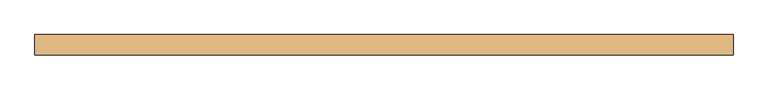
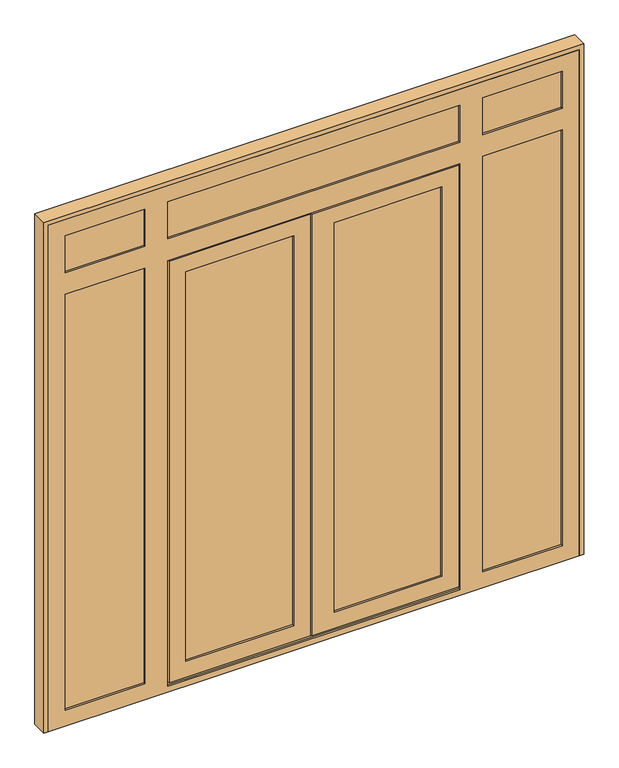
"""IFC4 building model written with IfcOpenShell, lengths in millimetres: door geometry."""

from ifc_helpers import new_model, si_unit, frame, origin, place, context, project, spatial, polyline, outline, extrude, faceted_brep, source, transform, mapped, element, save


def door_eafd8545(model_context):
    return source(origin(), model_context, "Body", "SolidModel", [
        extrude(outline(polyline([(53.0, 39.0), (-462.0, 39.0), (-462.0, 65.0), (53.0, 65.0), (53.0, 39.0)])), frame((0.0, 0.0, 99.0), z_axis=(0.0, 0.0, 1.0), x_axis=(1.0, 0.0, 0.0)), (0.0, 0.0, 1.0), 1868.0),
        extrude(outline(polyline([(712.0, 39.0), (197.0, 39.0), (197.0, 65.0), (712.0, 65.0), (712.0, 39.0)])), frame((0.0, 0.0, 99.0), z_axis=(0.0, 0.0, 1.0), x_axis=(1.0, 0.0, 0.0)), (0.0, 0.0, 1.0), 1868.0),
        extrude(outline(polyline([(792.0, 39.0), (-542.0, 39.0), (-542.0, 65.0), (792.0, 65.0), (792.0, 39.0)])), frame((0.0, 0.0, 2113.0), z_axis=(0.0, 0.0, 1.0), x_axis=(1.0, 0.0, 0.0)), (0.0, 0.0, 1.0), 210.0),
        extrude(outline(polyline([(1248.0, 39.0), (858.0, 39.0), (858.0, 65.0), (1248.0, 65.0), (1248.0, 39.0)])), frame((0.0, 0.0, 2113.0), z_axis=(0.0, 0.0, 1.0), x_axis=(1.0, 0.0, 0.0)), (0.0, 0.0, 1.0), 210.0),
        extrude(outline(polyline([(-608.0, 39.0), (-998.0, 39.0), (-998.0, 65.0), (-608.0, 65.0), (-608.0, 39.0)])), frame((0.0, 0.0, 2113.0), z_axis=(0.0, 0.0, 1.0), x_axis=(1.0, 0.0, 0.0)), (0.0, 0.0, 1.0), 210.0),
        extrude(outline(polyline([(1248.0, 39.0), (858.0, 39.0), (858.0, 65.0), (1248.0, 65.0), (1248.0, 39.0)])), frame((0.0, 0.0, 57.0), z_axis=(0.0, 0.0, 1.0), x_axis=(1.0, 0.0, 0.0)), (0.0, 0.0, 1.0), 1990.0),
        extrude(outline(polyline([(-608.0, 39.0), (-998.0, 39.0), (-998.0, 65.0), (-608.0, 65.0), (-608.0, 39.0)])), frame((0.0, 0.0, 57.0), z_axis=(0.0, 0.0, 1.0), x_axis=(1.0, 0.0, 0.0)), (0.0, 0.0, 1.0), 1990.0),
        faceted_brep([(-544.0, 91.0, 17.0), (-544.0, 100.0, 17.0), (135.0, 100.0, 17.0), (135.0, 91.0, 17.0), (-524.0, 91.0, 17.0), (-524.0, 39.0, 17.0), (-534.0, 39.0, 17.0), (-534.0, 91.0, 17.0), (794.0, 91.0, 17.0), (784.0, 91.0, 17.0), (784.0, 39.0, 17.0), (774.0, 39.0, 17.0), (774.0, 91.0, 17.0), (140.0, 91.0, 17.0), (140.0, 100.0, 17.0), (794.0, 100.0, 17.0), (-544.0, 91.0, 2049.0), (-544.0, 100.0, 2049.0), (135.0, 100.0, 2049.0), (-444.0, 100.0, 1949.0), (-444.0, 100.0, 117.0), (35.0, 100.0, 117.0), (35.0, 100.0, 1949.0), (794.0, 100.0, 2049.0), (140.0, 100.0, 2049.0), (694.0, 100.0, 117.0), (694.0, 100.0, 1949.0), (215.0, 100.0, 1949.0), (215.0, 100.0, 117.0), (-444.0, 65.0, 1949.0), (-444.0, 65.0, 117.0), (-462.0, 65.0, 1967.0), (-462.0, 65.0, 99.0), (53.0, 65.0, 99.0), (53.0, 65.0, 1967.0), (35.0, 65.0, 1949.0), (35.0, 65.0, 117.0), (712.0, 65.0, 99.0), (712.0, 65.0, 1967.0), (197.0, 65.0, 1967.0), (197.0, 65.0, 99.0), (694.0, 65.0, 1949.0), (694.0, 65.0, 117.0), (215.0, 65.0, 117.0), (215.0, 65.0, 1949.0), (-462.0, 39.0, 1967.0), (-462.0, 39.0, 99.0), (53.0, 39.0, 1967.0), (53.0, 39.0, 99.0), (-444.0, 39.0, 1949.0), (-444.0, 39.0, 117.0), (35.0, 39.0, 117.0), (35.0, 39.0, 1949.0), (712.0, 39.0, 1967.0), (712.0, 39.0, 99.0), (197.0, 39.0, 99.0), (197.0, 39.0, 1967.0), (694.0, 39.0, 117.0), (694.0, 39.0, 1949.0), (215.0, 39.0, 1949.0), (215.0, 39.0, 117.0), (-444.0, 30.0, 1949.0), (-444.0, 30.0, 117.0), (-519.0, 30.0, 2024.0), (-519.0, 30.0, 42.0), (110.0, 30.0, 42.0), (110.0, 30.0, 2024.0), (35.0, 30.0, 1949.0), (35.0, 30.0, 117.0), (769.0, 30.0, 42.0), (769.0, 30.0, 2024.0), (115.0, 30.0, 2024.0), (115.0, 30.0, 42.0), (694.0, 30.0, 1949.0), (694.0, 30.0, 117.0), (215.0, 30.0, 117.0), (215.0, 30.0, 1949.0), (-519.0, 39.0, 2024.0), (-519.0, 39.0, 42.0), (784.0, 39.0, 2039.0), (-534.0, 39.0, 2039.0), (-524.0, 39.0, 27.0), (774.0, 39.0, 27.0), (769.0, 39.0, 2024.0), (769.0, 39.0, 42.0), (115.0, 39.0, 42.0), (115.0, 39.0, 2024.0), (110.0, 39.0, 42.0), (110.0, 39.0, 2024.0), (-534.0, 91.0, 2039.0), (135.0, 91.0, 2039.0), (135.0, 91.0, 2049.0), (784.0, 91.0, 2039.0), (794.0, 91.0, 2049.0), (140.0, 91.0, 2049.0), (140.0, 91.0, 2039.0), (774.0, 91.0, 27.0), (-524.0, 91.0, 27.0), (135.0, 91.0, 27.0), (140.0, 91.0, 27.0)], [[[0, 1, 2, 3, 4, 5, 6, 7]], [[8, 9, 10, 11, 12, 13, 14, 15]], [[1, 0, 16, 17]], [[1, 17, 18, 2], [19, 20, 21, 22]], [[23, 15, 14, 24], [25, 26, 27, 28]], [[19, 29, 30, 20]], [[31, 32, 33, 34], [30, 29, 35, 36]], [[37, 38, 39, 40], [41, 42, 43, 44]], [[31, 45, 46, 32]], [[46, 45, 47, 48], [49, 50, 51, 52]], [[53, 54, 55, 56], [57, 58, 59, 60]], [[49, 61, 62, 50]], [[63, 64, 65, 66], [62, 61, 67, 68]], [[69, 70, 71, 72], [73, 74, 75, 76]], [[63, 77, 78, 64]], [[10, 79, 80, 6, 5, 81, 82, 11], [83, 84, 85, 86], [87, 78, 77, 88]], [[7, 6, 80, 89]], [[0, 7, 89, 90, 91, 16]], [[92, 9, 8, 93, 94, 95]], [[17, 16, 91, 18]], [[93, 23, 24, 94]], [[29, 19, 22, 35]], [[26, 41, 44, 27]], [[45, 31, 34, 47]], [[38, 53, 56, 39]], [[61, 49, 52, 67]], [[58, 73, 76, 59]], [[77, 63, 66, 88]], [[70, 83, 86, 71]], [[89, 80, 79, 92, 95, 90]], [[15, 23, 93, 8]], [[41, 26, 25, 42]], [[53, 38, 37, 54]], [[73, 58, 57, 74]], [[83, 70, 69, 84]], [[79, 10, 9, 92]], [[20, 30, 36, 21]], [[42, 25, 28, 43]], [[32, 46, 48, 33]], [[54, 37, 40, 55]], [[50, 62, 68, 51]], [[74, 57, 60, 75]], [[82, 96, 12, 11]], [[97, 81, 5, 4]], [[96, 82, 81, 97, 98, 99]], [[64, 78, 87, 65]], [[84, 69, 72, 85]], [[12, 96, 99, 13]], [[97, 4, 3, 98]], [[71, 86, 85, 72]], [[76, 75, 60, 59]], [[39, 56, 55, 40]], [[44, 43, 28, 27]], [[14, 13, 99, 95, 94, 24]], [[90, 95, 99, 98]], [[3, 2, 18, 91, 90, 98]], [[36, 35, 22, 21]], [[47, 34, 33, 48]], [[68, 67, 52, 51]], [[65, 87, 88, 66]]]),
        faceted_brep([(-980.0, 100.0, 2305.0), (-980.0, 65.0, 2305.0), (-980.0, 65.0, 2131.0), (-980.0, 100.0, 2131.0), (-980.0, 65.0, 75.0), (-980.0, 100.0, 75.0), (-980.0, 100.0, 2029.0), (-980.0, 65.0, 2029.0), (-998.0, 65.0, 2323.0), (-998.0, 39.0, 2323.0), (-998.0, 39.0, 2113.0), (-998.0, 65.0, 2113.0), (-998.0, 39.0, 57.0), (-998.0, 65.0, 57.0), (-998.0, 65.0, 2047.0), (-998.0, 39.0, 2047.0), (-980.0, 39.0, 2305.0), (-980.0, 30.0, 2305.0), (-980.0, 30.0, 2131.0), (-980.0, 39.0, 2131.0), (-980.0, 30.0, 75.0), (-980.0, 39.0, 75.0), (-980.0, 39.0, 2029.0), (-980.0, 30.0, 2029.0), (-1055.0, 100.0, 0.0), (-1055.0, 30.0, 0.0), (-1055.0, 30.0, 2380.0), (-1055.0, 100.0, 2380.0), (-626.0, 100.0, 2305.0), (-626.0, 65.0, 2305.0), (1230.0, 100.0, 2305.0), (1230.0, 65.0, 2305.0), (876.0, 65.0, 2305.0), (876.0, 100.0, 2305.0), (-524.0, 100.0, 2305.0), (774.0, 100.0, 2305.0), (774.0, 65.0, 2305.0), (-524.0, 65.0, 2305.0), (-542.0, 65.0, 2323.0), (792.0, 65.0, 2323.0), (792.0, 39.0, 2323.0), (-542.0, 39.0, 2323.0), (858.0, 65.0, 2323.0), (1248.0, 65.0, 2323.0), (1248.0, 39.0, 2323.0), (858.0, 39.0, 2323.0), (-608.0, 39.0, 2323.0), (-608.0, 65.0, 2323.0), (-626.0, 39.0, 2305.0), (-626.0, 30.0, 2305.0), (1230.0, 39.0, 2305.0), (1230.0, 30.0, 2305.0), (876.0, 30.0, 2305.0), (876.0, 39.0, 2305.0), (-524.0, 39.0, 2305.0), (774.0, 39.0, 2305.0), (774.0, 30.0, 2305.0), (-524.0, 30.0, 2305.0), (1305.0, 100.0, 2380.0), (1305.0, 30.0, 2380.0), (1230.0, 100.0, 2131.0), (1230.0, 65.0, 2131.0), (1230.0, 100.0, 75.0), (1230.0, 65.0, 75.0), (1230.0, 65.0, 2029.0), (1230.0, 100.0, 2029.0), (1248.0, 65.0, 2113.0), (1248.0, 39.0, 2113.0), (1248.0, 65.0, 57.0), (1248.0, 39.0, 57.0), (1248.0, 39.0, 2047.0), (1248.0, 65.0, 2047.0), (1230.0, 39.0, 2131.0), (1230.0, 30.0, 2131.0), (1230.0, 39.0, 75.0), (1230.0, 30.0, 75.0), (1230.0, 30.0, 2029.0), (1230.0, 39.0, 2029.0), (1305.0, 30.0, 0.0), (1305.0, 100.0, 0.0), (799.0, 100.0, 9.0), (-549.0, 100.0, 9.0), (-549.0, 91.0, 9.0), (799.0, 91.0, 9.0), (-549.0, 91.0, 2054.0), (799.0, 91.0, 2054.0), (-534.0, 91.0, 2039.0), (-534.0, 91.0, 27.0), (784.0, 91.0, 27.0), (784.0, 91.0, 2039.0), (-524.0, 30.0, 27.0), (774.0, 30.0, 27.0), (774.0, 39.0, 27.0), (784.0, 39.0, 27.0), (-534.0, 39.0, 27.0), (-524.0, 39.0, 27.0), (-549.0, 100.0, 2054.0), (799.0, 100.0, 2054.0), (784.0, 39.0, 2039.0), (-534.0, 39.0, 2039.0), (-524.0, 30.0, 2029.0), (-524.0, 39.0, 2029.0), (-626.0, 65.0, 75.0), (-626.0, 65.0, 2029.0), (-626.0, 100.0, 2029.0), (-626.0, 100.0, 75.0), (876.0, 65.0, 2029.0), (876.0, 65.0, 75.0), (876.0, 100.0, 75.0), (876.0, 100.0, 2029.0), (774.0, 30.0, 2029.0), (774.0, 39.0, 2029.0), (-626.0, 100.0, 2131.0), (876.0, 100.0, 2131.0), (-524.0, 100.0, 2131.0), (774.0, 100.0, 2131.0), (-608.0, 65.0, 57.0), (-608.0, 65.0, 2047.0), (-608.0, 65.0, 2113.0), (-626.0, 65.0, 2131.0), (-542.0, 65.0, 2113.0), (792.0, 65.0, 2113.0), (774.0, 65.0, 2131.0), (-524.0, 65.0, 2131.0), (858.0, 65.0, 2113.0), (876.0, 65.0, 2131.0), (858.0, 65.0, 2047.0), (858.0, 65.0, 57.0), (-608.0, 39.0, 57.0), (-608.0, 39.0, 2047.0), (-626.0, 39.0, 75.0), (-626.0, 39.0, 2029.0), (-608.0, 39.0, 2113.0), (-626.0, 39.0, 2131.0), (858.0, 39.0, 2113.0), (876.0, 39.0, 2131.0), (858.0, 39.0, 57.0), (858.0, 39.0, 2047.0), (876.0, 39.0, 2029.0), (876.0, 39.0, 75.0), (792.0, 39.0, 2113.0), (-542.0, 39.0, 2113.0), (-524.0, 39.0, 2131.0), (774.0, 39.0, 2131.0), (-626.0, 30.0, 75.0), (-626.0, 30.0, 2029.0), (-626.0, 30.0, 2131.0), (876.0, 30.0, 75.0), (876.0, 30.0, 2029.0), (876.0, 30.0, 2131.0), (774.0, 30.0, 2131.0), (-524.0, 30.0, 2131.0)], [[[0, 1, 2, 3]], [[4, 5, 6, 7]], [[8, 9, 10, 11]], [[12, 13, 14, 15]], [[16, 17, 18, 19]], [[20, 21, 22, 23]], [[24, 25, 26, 27]], [[1, 0, 28, 29]], [[30, 31, 32, 33]], [[34, 35, 36, 37]], [[38, 39, 40, 41]], [[42, 43, 44, 45]], [[46, 9, 8, 47]], [[17, 16, 48, 49]], [[50, 51, 52, 53]], [[54, 55, 56, 57]], [[58, 27, 26, 59]], [[31, 30, 60, 61]], [[62, 63, 64, 65]], [[44, 43, 66, 67]], [[68, 69, 70, 71]], [[51, 50, 72, 73]], [[74, 75, 76, 77]], [[58, 59, 78, 79]], [[80, 81, 82, 83]], [[82, 84, 85, 83], [86, 87, 88, 89]], [[90, 91, 92, 93, 88, 87, 94, 95]], [[96, 97, 85, 84]], [[86, 89, 98, 99]], [[100, 90, 95, 101]], [[87, 86, 99, 94]], [[81, 96, 84, 82]], [[102, 103, 104, 105]], [[106, 107, 108, 109]], [[97, 80, 83, 85]], [[89, 88, 93, 98]], [[91, 110, 111, 92]], [[58, 79, 24, 27], [6, 5, 105, 104], [0, 3, 112, 28], [30, 33, 113, 60], [35, 34, 114, 115], [62, 65, 109, 108], [81, 80, 97, 96]], [[5, 4, 102, 105]], [[14, 13, 116, 117], [4, 7, 103, 102]], [[8, 11, 118, 47], [2, 1, 29, 119]], [[39, 38, 120, 121], [37, 36, 122, 123]], [[66, 43, 42, 124], [31, 61, 125, 32]], [[68, 71, 126, 127], [64, 63, 107, 106]], [[13, 12, 128, 116]], [[12, 15, 129, 128], [22, 21, 130, 131]], [[10, 9, 46, 132], [16, 19, 133, 48]], [[44, 67, 134, 45], [72, 50, 53, 135]], [[70, 69, 136, 137], [74, 77, 138, 139]], [[40, 140, 141, 41], [55, 54, 142, 143]], [[111, 101, 95, 94, 99, 98, 93, 92]], [[21, 20, 144, 130]], [[26, 25, 78, 59], [20, 23, 145, 144], [18, 17, 49, 146], [76, 75, 147, 148], [91, 90, 100, 110], [73, 149, 52, 51], [150, 151, 57, 56]], [[25, 24, 79, 78]], [[63, 62, 108, 107]], [[69, 68, 127, 136]], [[75, 74, 139, 147]], [[116, 128, 129, 117]], [[144, 145, 131, 130]], [[148, 147, 139, 138]], [[136, 127, 126, 137]], [[142, 54, 57, 151]], [[41, 141, 120, 38]], [[114, 34, 37, 123]], [[28, 112, 119, 29]], [[113, 33, 32, 125]], [[35, 115, 122, 36]], [[140, 40, 39, 121]], [[55, 143, 150, 56]], [[132, 46, 47, 118]], [[48, 133, 146, 49]], [[135, 53, 52, 149]], [[45, 134, 124, 42]], [[3, 2, 119, 112]], [[61, 60, 113, 125]], [[115, 114, 123, 122]], [[7, 6, 104, 103]], [[65, 64, 106, 109]], [[15, 14, 117, 129]], [[71, 70, 137, 126]], [[23, 22, 131, 145]], [[77, 76, 148, 138]], [[110, 100, 101, 111]], [[19, 18, 146, 133]], [[73, 72, 135, 149]], [[143, 142, 151, 150]], [[118, 11, 10, 132]], [[121, 120, 141, 140]], [[134, 67, 66, 124]]]),
        extrude(outline(polyline([(2400.0, -1075.0), (0.0, -1075.0), (0.0, -1055.0), (2380.0, -1055.0), (2380.0, 1305.0), (0.0, 1305.0), (0.0, 1325.0), (2400.0, 1325.0), (2400.0, -1075.0)])), frame((0.0, 30.0, 0.0), z_axis=(0.0, 1.0, 0.0), x_axis=(0.0, 0.0, 1.0)), (0.0, 0.0, 1.0), 70.0),
    ])


if __name__ == "__main__":
    model = new_model("IFC4")
    model_context = context("Model", 3, world=origin())
    ifc_project = project(units=[si_unit("LENGTHUNIT", "METRE", prefix="MILLI")], contexts=[model_context])
    site = spatial("IfcSite", under=ifc_project)
    building = spatial("IfcBuilding", under=site)
    placement = place(None, origin())
    door_shape = door_eafd8545(model_context)
    element("IfcDoor", 1, at=placement, inside=building, context=model_context, shape_type="MappedRepresentation", body=[
        mapped(door_shape, transform((0.0, 0.0, 0.0), x_axis=(1.0, 0.0, 0.0), y_axis=(0.0, 1.0, 0.0), z_axis=(0.0, 0.0, 1.0))),
    ])
    save(model, "model.ifc")
